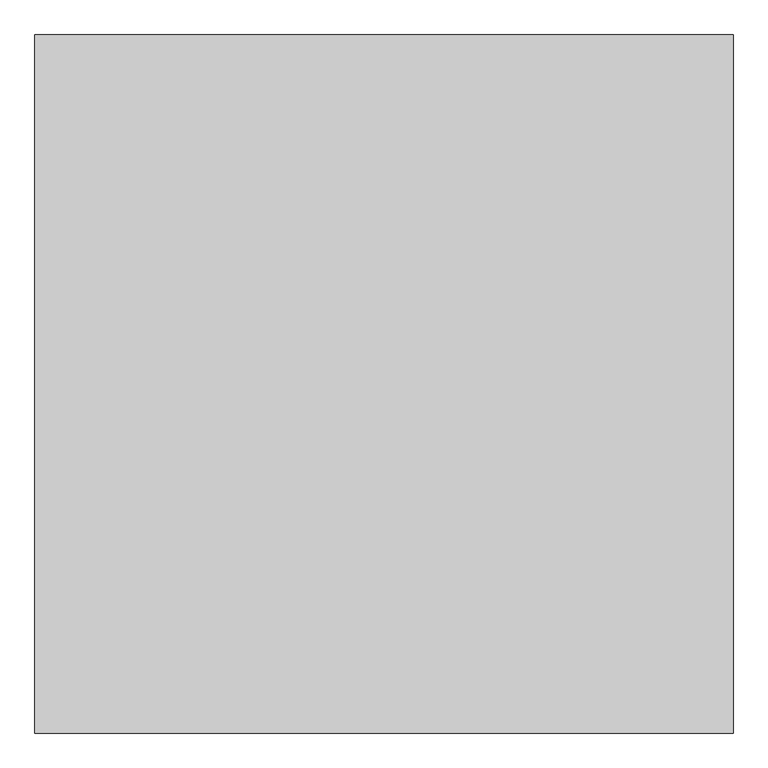
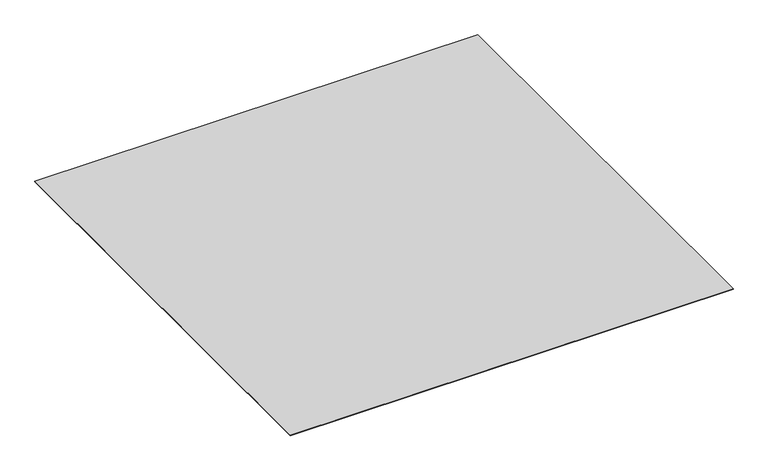
"""IFC4 building model written with IfcOpenShell, lengths in millimetres: proxy geometry."""

from ifc_helpers import new_model, si_unit, origin, origin_with_axes, place, context, project, spatial, polyline, outline, extrude, source, transform, mapped, element, save


def generic_models_dd47d330(model_context):
    return source(origin(), model_context, "Body", "SweptSolid", [
        extrude(outline(polyline([(-16196.9237868, -17587.355679), (-16196.9237868, -18587.355679), (-17196.9237868, -18587.355679), (-17196.9237868, -17587.355679), (-16196.9237868, -17587.355679)])), origin_with_axes(), (0.0, 0.0, 1.0), 1.0),
    ])


if __name__ == "__main__":
    model = new_model("IFC4")
    model_context = context("Model", 3, world=origin())
    ifc_project = project(units=[si_unit("LENGTHUNIT", "METRE", prefix="MILLI")], contexts=[model_context])
    site = spatial("IfcSite", under=ifc_project)
    building = spatial("IfcBuilding", under=site)
    placement = place(None, origin())
    generic_models_shape = generic_models_dd47d330(model_context)
    element("IfcBuildingElementProxy", 1, Name="Generic Models", at=placement, inside=building, context=model_context, shape_type="MappedRepresentation", body=[
        mapped(generic_models_shape, transform((0.0, 0.0, 0.0), x_axis=(1.0, 0.0, 0.0), y_axis=(0.0, 1.0, 0.0), z_axis=(0.0, 0.0, 1.0))),
    ])
    save(model, "model.ifc")
